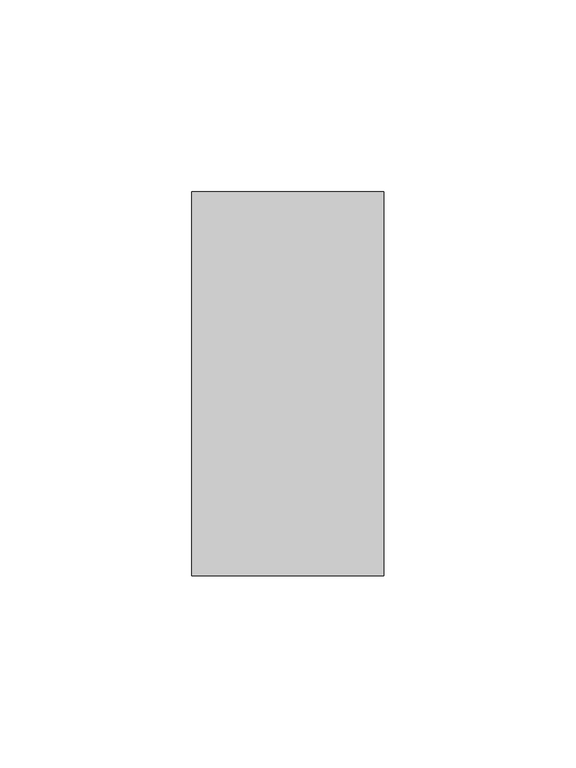
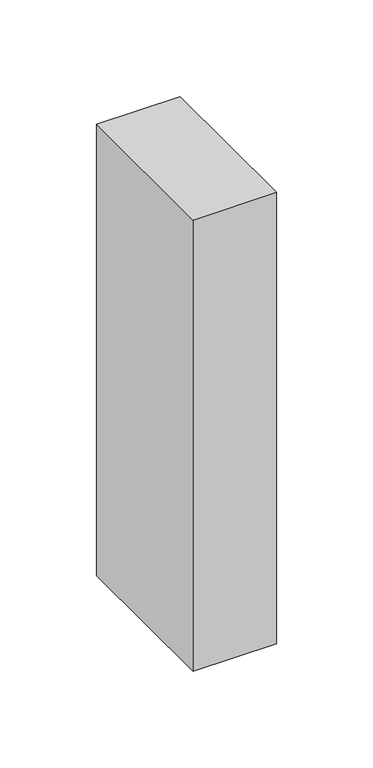
"""IFC4 building model written with IfcOpenShell, lengths in millimetres: member geometry."""

from ifc_helpers import new_model, si_unit, frame, origin, place, context, project, spatial, polyline, outline, extrude, source, transform, mapped, element, save


def member_e2787d08(model_context):
    return source(origin(), model_context, "Body", "SweptSolid", [
        extrude(outline(polyline([(25.0, 50.0), (25.0, -50.0), (-25.0, -50.0), (-25.0, 50.0), (25.0, 50.0)])), frame((0.0, 0.0, -285.2281898), z_axis=(0.0, 0.0, 1.0), x_axis=(1.0, 0.0, 0.0)), (0.0, 0.0, 1.0), 285.2281898),
    ])


if __name__ == "__main__":
    model = new_model("IFC4")
    model_context = context("Model", 3, world=origin())
    ifc_project = project(units=[si_unit("LENGTHUNIT", "METRE", prefix="MILLI")], contexts=[model_context])
    site = spatial("IfcSite", under=ifc_project)
    building = spatial("IfcBuilding", under=site)
    placement = place(None, origin())
    member_shape = member_e2787d08(model_context)
    element("IfcMember", 1, at=placement, inside=building, context=model_context, shape_type="MappedRepresentation", body=[
        mapped(member_shape, transform((0.0, 0.0, 0.0), x_axis=(1.0, 0.0, 0.0), y_axis=(0.0, 1.0, 0.0), z_axis=(0.0, 0.0, 1.0))),
    ])
    save(model, "model.ifc")
